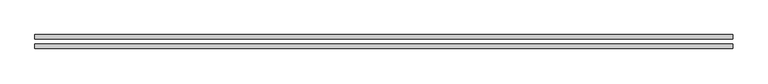
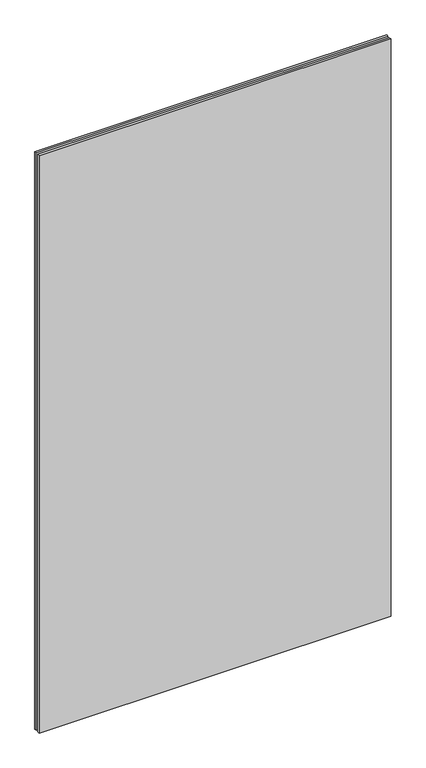
"""IFC4 building model written with IfcOpenShell, lengths in millimetres: plate geometry."""

from ifc_helpers import new_model, si_unit, origin, origin_with_axes, place, context, project, spatial, polyline, outline, extrude, source, transform, mapped, element, save


def plate_dbc82070(model_context):
    return source(origin(), model_context, "Body", "SweptSolid", [
        extrude(outline(polyline([(620.0, -34.8), (-620.0, -34.8), (-620.0, -26.8), (620.0, -26.8), (620.0, -34.8)])), origin_with_axes(), (0.0, 0.0, 1.0), 2150.0),
        extrude(outline(polyline([(620.0, -17.8), (-620.0, -17.8), (-620.0, -9.8), (620.0, -9.8), (620.0, -17.8)])), origin_with_axes(), (0.0, 0.0, 1.0), 2150.0),
    ])


if __name__ == "__main__":
    model = new_model("IFC4")
    model_context = context("Model", 3, world=origin())
    ifc_project = project(units=[si_unit("LENGTHUNIT", "METRE", prefix="MILLI")], contexts=[model_context])
    site = spatial("IfcSite", under=ifc_project)
    building = spatial("IfcBuilding", under=site)
    placement = place(None, origin())
    plate_shape = plate_dbc82070(model_context)
    element("IfcPlate", 1, at=placement, inside=building, context=model_context, shape_type="MappedRepresentation", body=[
        mapped(plate_shape, transform((0.0, 0.0, 0.0), x_axis=(1.0, 0.0, 0.0), y_axis=(0.0, 1.0, 0.0), z_axis=(0.0, 0.0, 1.0))),
    ])
    save(model, "model.ifc")
